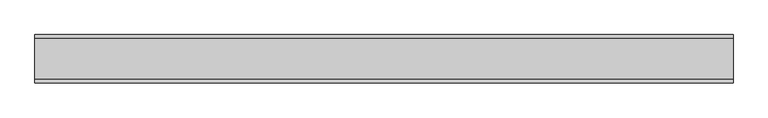
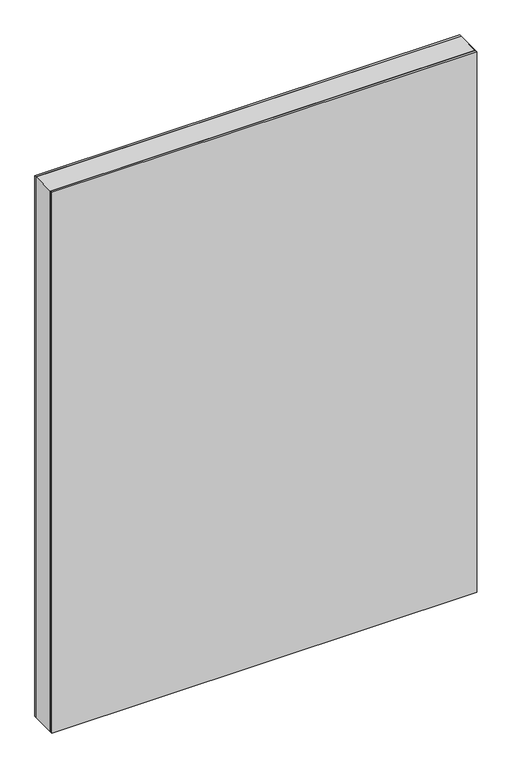
"""IFC4 building model written with IfcOpenShell, lengths in millimetres: plate geometry."""

from ifc_helpers import new_model, si_unit, frame, origin, origin_with_axes, place, context, project, spatial, polyline, outline, extrude, source, transform, mapped, element, save


def plate_3b7d6d7e(model_context):
    return source(origin(), model_context, "Body", "SweptSolid", [
        extrude(outline(polyline([(1451.75, -539.6875001), (0.0, -539.6875001), (0.0, 539.6875001), (1451.75, 539.6875001), (1451.75, -539.6875001)]), holes=[polyline([(1450.75, -538.6875001), (1450.75, 538.6875001), (1.0, 538.6875001), (1.0, -538.6875001), (1450.75, -538.6875001)])]), frame((0.0, -31.2, 0.0), z_axis=(0.0, 1.0, 0.0), x_axis=(0.0, 0.0, 1.0)), (0.0, 0.0, 1.0), 62.4),
        extrude(outline(polyline([(539.6875001, 31.2), (-539.6875001, 31.2), (-539.6875001, 37.2), (539.6875001, 37.2), (539.6875001, 31.2)])), origin_with_axes(), (0.0, 0.0, 1.0), 1451.75),
        extrude(outline(polyline([(-539.6875001, -37.2), (-539.6875001, -31.2), (539.6875001, -31.2), (539.6875001, -37.2), (-539.6875001, -37.2)])), origin_with_axes(), (0.0, 0.0, 1.0), 1451.75),
    ])


if __name__ == "__main__":
    model = new_model("IFC4")
    model_context = context("Model", 3, world=origin())
    ifc_project = project(units=[si_unit("LENGTHUNIT", "METRE", prefix="MILLI")], contexts=[model_context])
    site = spatial("IfcSite", under=ifc_project)
    building = spatial("IfcBuilding", under=site)
    placement = place(None, origin())
    plate_shape = plate_3b7d6d7e(model_context)
    element("IfcPlate", 1, at=placement, inside=building, context=model_context, shape_type="MappedRepresentation", body=[
        mapped(plate_shape, transform((0.0, 0.0, 0.0), x_axis=(1.0, 0.0, 0.0), y_axis=(0.0, 1.0, 0.0), z_axis=(0.0, 0.0, 1.0))),
    ])
    save(model, "model.ifc")
